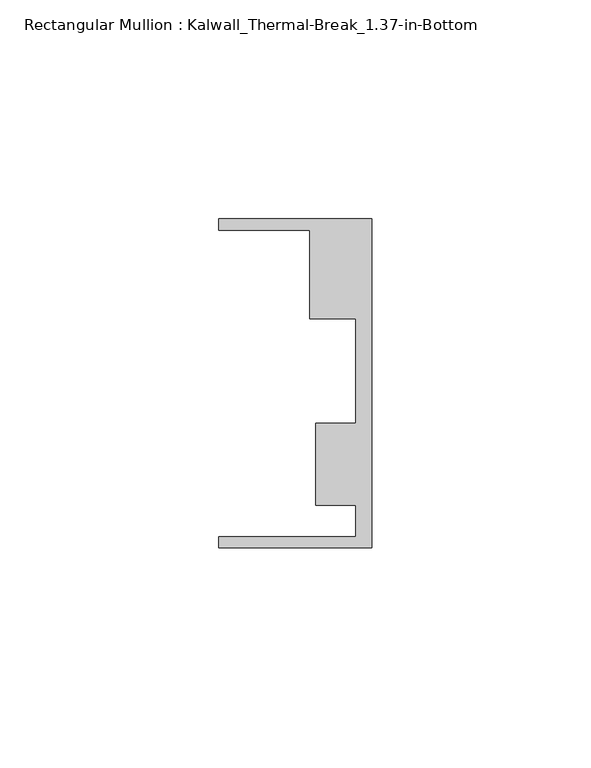
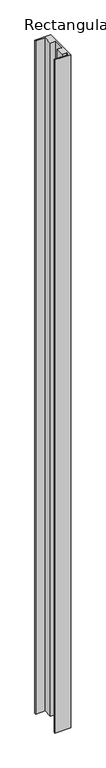
"""IFC4 building model written with IfcOpenShell, lengths in millimetres: member geometry, Rectangular Mullion : Kalwall_Thermal-Break_1.37-in-Bottom."""

from ifc_helpers import new_model, si_unit, frame, origin, place, context, project, spatial, polyline, outline, extrude, source, transform, mapped, element, save


def rectangular_mullion_kalwall_thermal_break_1_37_in_bottom_4137e262(model_context):
    return source(origin(), model_context, "Body", "SweptSolid", [
        extrude(outline(polyline([(0.0, -37.5776386), (-34.925, -37.5776386), (-34.925, -35.0376386), (-3.7084, -35.0376386), (-3.7084, -27.8888568), (-12.8272539, -27.8888568), (-12.8272539, -9.1879886), (-3.7084, -9.1879886), (-3.7084, 14.7812677), (-14.1882812, 14.7812677), (-14.1882812, 34.9623614), (-34.925, 34.9623614), (-34.925, 37.5023614), (0.0, 37.5023614), (0.0, -37.5776386)])), frame((0.0, 0.0, -1553.0068), z_axis=(0.0, 0.0, 1.0), x_axis=(1.0, 0.0, 0.0)), (0.0, 0.0, 1.0), 1553.0068),
    ])


if __name__ == "__main__":
    model = new_model("IFC4")
    model_context = context("Model", 3, world=origin())
    ifc_project = project(units=[si_unit("LENGTHUNIT", "METRE", prefix="MILLI")], contexts=[model_context])
    site = spatial("IfcSite", under=ifc_project)
    building = spatial("IfcBuilding", under=site)
    placement = place(None, origin())
    rectangular_mullion_kalwall_thermal_break_1_37_in_bottom_shape = rectangular_mullion_kalwall_thermal_break_1_37_in_bottom_4137e262(model_context)
    element("IfcMember", 1, ObjectType="Rectangular Mullion : Kalwall_Thermal-Break_1.37-in-Bottom", at=placement, inside=building, context=model_context, shape_type="MappedRepresentation", body=[
        mapped(rectangular_mullion_kalwall_thermal_break_1_37_in_bottom_shape, transform((0.0, 0.0, 0.0), x_axis=(1.0, 0.0, 0.0), y_axis=(0.0, 1.0, 0.0), z_axis=(0.0, 0.0, 1.0))),
    ])
    save(model, "model.ifc")
